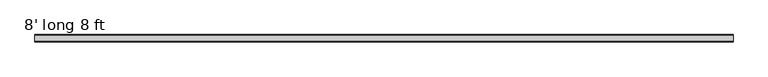
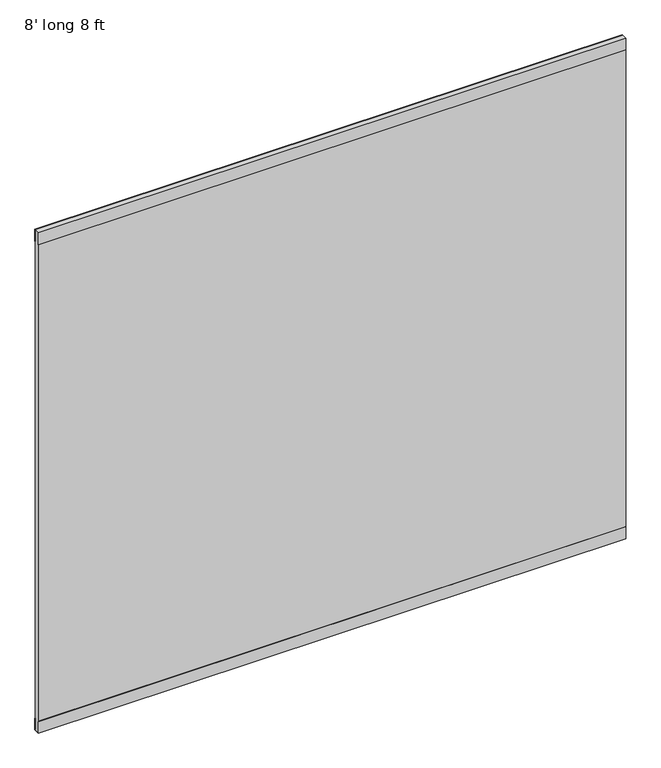
"""IFC4 building model written with IfcOpenShell, lengths in millimetres: furniture geometry, 8' long 8 ft."""

from ifc_helpers import new_model, si_unit, frame, origin, origin_with_axes, place, context, project, spatial, polyline, outline, extrude, source, transform, mapped, element, save


def furniture_8_long_8_ft_e8f85d6f(model_context):
    return source(origin(), model_context, "Body", "SweptSolid", [
        extrude(outline(polyline([(2438.4, 9.7028), (2438.4, -9.7028), (0.0, -9.7028), (0.0, 9.7028), (2438.4, 9.7028)])), origin_with_axes(), (0.0, 0.0, 1.0), 2194.56),
        extrude(outline(polyline([(-12.7, 2194.56), (12.7, 2194.56), (12.7, 2143.76), (9.7028, 2143.76), (9.7028, 2191.5628), (-9.7028, 2191.5628), (-9.7028, 2143.76), (-12.7, 2143.76), (-12.7, 2194.56)])), frame((0.0, 0.0, 0.0), z_axis=(1.0, 0.0, 0.0), x_axis=(0.0, 1.0, 0.0)), (0.0, 0.0, 1.0), 2438.4),
        extrude(outline(polyline([(-9.7028, 50.8), (-9.7028, 2.9972), (9.7028, 2.9972), (9.7028, 50.8), (12.7, 50.8), (12.7, 0.0), (-12.7, 0.0), (-12.7, 50.8), (-9.7028, 50.8)])), frame((0.0, 0.0, 0.0), z_axis=(1.0, 0.0, 0.0), x_axis=(0.0, 1.0, 0.0)), (0.0, 0.0, 1.0), 2438.4),
    ])


if __name__ == "__main__":
    model = new_model("IFC4")
    model_context = context("Model", 3, world=origin())
    ifc_project = project(units=[si_unit("LENGTHUNIT", "METRE", prefix="MILLI")], contexts=[model_context])
    site = spatial("IfcSite", under=ifc_project)
    building = spatial("IfcBuilding", under=site)
    placement = place(None, origin())
    furniture_8_long_8_ft_shape = furniture_8_long_8_ft_e8f85d6f(model_context)
    element("IfcFurniture", 1, ObjectType="8' long 8 ft", at=placement, inside=building, context=model_context, shape_type="MappedRepresentation", body=[
        mapped(furniture_8_long_8_ft_shape, transform((0.0, 0.0, 0.0), x_axis=(1.0, 0.0, 0.0), y_axis=(0.0, 1.0, 0.0), z_axis=(0.0, 0.0, 1.0))),
    ])
    save(model, "model.ifc")
